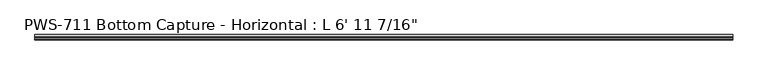
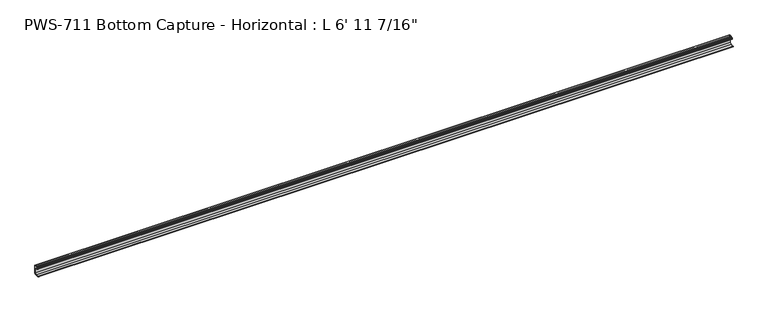
"""IFC4 building model written with IfcOpenShell, lengths in millimetres: proxy geometry."""

from ifc_helpers import new_model, si_unit, point, frame, frame_2d, origin, place, context, project, spatial, polyline, circle_curve, trimmed, segment, composite_curve, outline, extrude, source, transform, mapped, element, save


def proxy_5aefa8d5(model_context):
    return source(origin(), model_context, "Body", "SweptSolid", [
        extrude(outline(composite_curve([segment(trimmed(circle_curve(frame_2d((7.4969327, 25.3660159)), 3.2037832), [point((8.128, 22.225))], [point((10.541, 24.367076))], True, "CARTESIAN"), True, "CONTINUOUS"), segment(polyline([(10.541, 24.367076), (10.541, 26.8752912), (9.652, 26.8752912), (9.652, 27.6666341)]), True, "CONTINUOUS"), segment(trimmed(circle_curve(frame_2d((10.7705936, 27.4320794)), 1.1429206), [point((9.652, 27.6666341))], [point((10.7705936, 28.575))], False, "CARTESIAN"), True, "CONTINUOUS"), segment(polyline([(10.7705936, 28.575), (16.8275, 28.575), (16.8275, 2.032), (15.24, 2.032), (15.24, 0.0), (0.79375, 0.0)]), True, "CONTINUOUS"), segment(trimmed(circle_curve(frame_2d((0.79375, 0.79375)), 0.79375), [point((0.79375, 0.0))], [point((0.79375, 1.5875))], False, "CARTESIAN"), True, "CONTINUOUS"), segment(polyline([(0.79375, 1.5875), (10.9894826, 1.5875)]), True, "CONTINUOUS"), segment(trimmed(circle_curve(frame_2d((10.0322652, 6.7952348)), 5.2949756), [point((10.9894826, 1.5875))], [point((15.1327452, 5.3733097))], True, "CARTESIAN"), True, "CONTINUOUS"), segment(polyline([(15.1327452, 5.3733097), (15.1327452, 26.19248)]), True, "CONTINUOUS"), segment(trimmed(circle_curve(frame_2d((14.3377252, 26.19248)), 0.79502), [point((15.1327452, 26.19248))], [point((14.3377252, 26.9875))], True, "CARTESIAN"), True, "CONTINUOUS"), segment(polyline([(14.3377252, 26.9875), (12.92352, 26.9875)]), True, "CONTINUOUS"), segment(trimmed(circle_curve(frame_2d((12.92352, 26.19248)), 0.79502), [point((12.92352, 26.9875))], [point((12.1285, 26.19248))], True, "CARTESIAN"), True, "CONTINUOUS"), segment(polyline([(12.1285, 26.19248), (12.1285, 24.1392401)]), True, "CONTINUOUS"), segment(trimmed(circle_curve(frame_2d((7.4969327, 25.3660159)), 4.7912832), [point((12.1285, 24.1392401))], [point((8.128, 20.6164739))], False, "CARTESIAN"), True, "CONTINUOUS"), segment(trimmed(circle_curve(frame_2d((8.7590673, 25.3660159)), 4.7912832), [point((8.128, 20.6164739))], [point((4.1275, 24.1392401))], False, "CARTESIAN"), True, "CONTINUOUS"), segment(polyline([(4.1275, 24.1392401), (4.1275, 27.813), (6.4647806, 27.813)]), True, "CONTINUOUS"), segment(trimmed(circle_curve(frame_2d((5.5030121, 27.2398966)), 1.1195742), [point((6.4647806, 27.813))], [point((6.5615531, 26.8752912))], False, "CARTESIAN"), True, "CONTINUOUS"), segment(polyline([(6.5615531, 26.8752912), (5.715, 26.8752912), (5.715, 24.367076)]), True, "CONTINUOUS"), segment(trimmed(circle_curve(frame_2d((8.7590673, 25.3660159)), 3.2037832), [point((5.715, 24.367076))], [point((8.128, 22.225))], True, "CARTESIAN"), True, "CONTINUOUS")], self_intersect=False)), frame((0.0, 0.0, 0.0), z_axis=(1.0, 0.0, 0.0), x_axis=(0.0, 1.0, 0.0)), (0.0, 0.0, 1.0), 2119.3125),
    ])


if __name__ == "__main__":
    model = new_model("IFC4")
    model_context = context("Model", 3, world=origin())
    ifc_project = project(units=[si_unit("LENGTHUNIT", "METRE", prefix="MILLI")], contexts=[model_context])
    site = spatial("IfcSite", under=ifc_project)
    building = spatial("IfcBuilding", under=site)
    placement = place(None, origin())
    proxy_shape = proxy_5aefa8d5(model_context)
    element("IfcBuildingElementProxy", 1, Name="PWS-711 Bottom Capture - Horizontal : L 6' 11 7/16\"", ObjectType="PWS-711 Bottom Capture - Horizontal : L 6' 11 7/16\"", at=placement, inside=building, context=model_context, shape_type="MappedRepresentation", body=[
        mapped(proxy_shape, transform((0.0, 0.0, 0.0), x_axis=(1.0, 0.0, 0.0), y_axis=(0.0, 1.0, 0.0), z_axis=(0.0, 0.0, 1.0))),
    ])
    save(model, "model.ifc")
